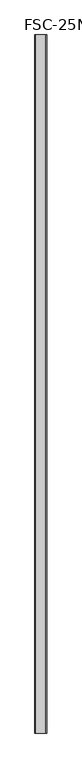
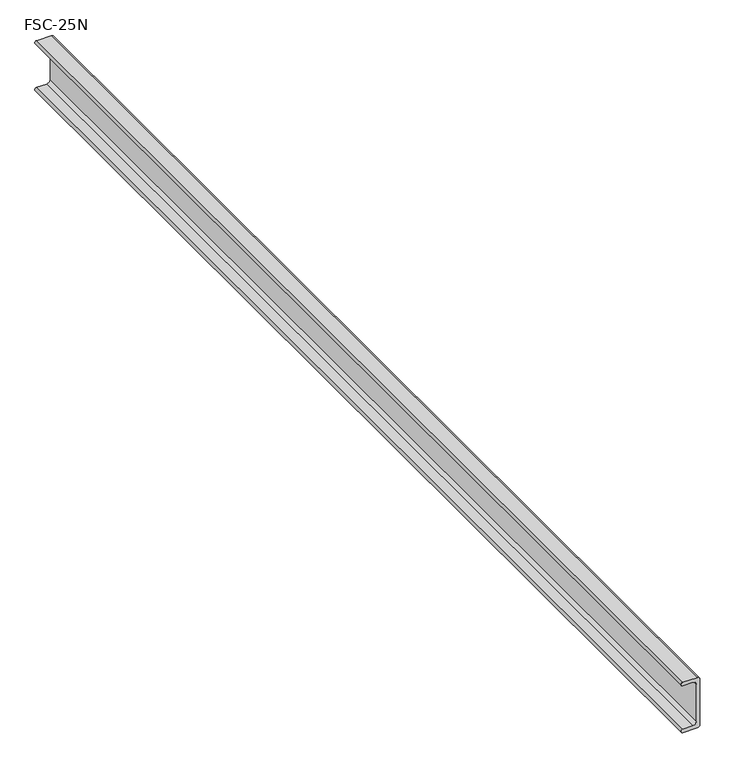
"""IFC4 building model written with IfcOpenShell, lengths in millimetres: proxy geometry, FSC-25N."""

from ifc_helpers import new_model, si_unit, frame, origin, place, context, project, spatial, polyline, circle_curve, source, transform, mapped, element, save
from ifc_brep_helpers import plane_surface, cylinder_surface, revolved_surface, advanced_brep


def fsc_25n_75178251(model_context):
    return source(origin(), model_context, "Body", "AdvancedBrep", [
        advanced_brep(
        [(-26.7456954, 1879.6, -5.8453642), (-26.8763074, 1879.6, 3.447053), (12.9523179, 1879.6, 3.4903974), (19.3426212, 1879.6, -2.9868379), (19.3864238, 1879.6, -133.560265), (13.0574508, 1879.6, -139.7), (-26.8718543, 1879.6, -139.7), (-26.7667222, 1879.6, -130.4062911), (0.0, 1879.6, -130.4062911), (9.8614238, 1879.6, -120.5448673), (9.8614238, 1879.6, -15.7698675), (-0.0630795, 1879.6, -5.8453642), (-26.7456954, -1141.4125, -5.8453642), (-0.0630795, -1141.4125, -5.8453642), (9.8614238, -1141.4125, -15.7698675), (9.8614238, -1141.4125, -120.5448673), (0.0, -1141.4125, -130.4062911), (-26.7667222, -1141.4125, -130.4062911), (-26.8718543, -1141.4125, -139.7), (13.0574508, -1141.4125, -139.7), (19.3426223, -1141.4125, -133.5613424), (19.3864238, -1141.4125, -2.9437086), (12.9091875, -1141.4125, 3.4465958), (-26.8718543, -1141.4125, 3.4903974)],
        [
            (0, 1, circle_curve(frame((-26.7562083, 1879.6, -1.1983855), z_axis=(0.0, 1.0, 0.0), x_axis=(1.0, 0.0, 0.0)), 4.6469907)),
            (1, 2),
            (2, 3, circle_curve(frame((13.0574508, 1879.6, -2.8385746), z_axis=(0.0, 1.0, 0.0), x_axis=(1.0, 0.0, 0.0)), 6.2869189)),
            (3, 4),
            (4, 5, circle_curve(frame((13.0574508, 1879.6, -133.41308), z_axis=(0.0, 1.0, 0.0), x_axis=(1.0, 0.0, 0.0)), 6.28692)),
            (5, 6),
            (6, 7, circle_curve(frame((-26.7644875, 1879.6, -135.0537655), z_axis=(0.0, 1.0, 0.0), x_axis=(1.0, 0.0, 0.0)), 4.6474749)),
            (7, 8),
            (8, 9, circle_curve(frame((0.0, 1879.6, -120.5448673), z_axis=(0.0, -1.0, 0.0), x_axis=(1.0, 0.0, 0.0)), 9.8614238)),
            (9, 10),
            (10, 11, circle_curve(frame((-0.0630795, 1879.6, -15.7698675), z_axis=(0.0, -1.0, 0.0), x_axis=(1.0, 0.0, 0.0)), 9.9245033)),
            (11, 0),
            (12, 13),
            (13, 14, circle_curve(frame((-0.0630795, -1141.4125, -15.7698675), z_axis=(0.0, 1.0, 0.0), x_axis=(1.0, 0.0, 0.0)), 9.9245033)),
            (14, 15),
            (15, 16, circle_curve(frame((0.0, -1141.4125, -120.5448673), z_axis=(0.0, 1.0, 0.0), x_axis=(1.0, 0.0, 0.0)), 9.8614238)),
            (16, 17),
            (17, 18, circle_curve(frame((-26.7644875, -1141.4125, -135.0537655), z_axis=(0.0, -1.0, 0.0), x_axis=(1.0, 0.0, 0.0)), 4.6474749)),
            (18, 19),
            (19, 20, circle_curve(frame((13.0574508, -1141.4125, -133.41308), z_axis=(0.0, -1.0, 0.0), x_axis=(1.0, 0.0, 0.0)), 6.28692)),
            (20, 21),
            (21, 22, circle_curve(frame((13.0574508, -1141.4125, -2.8385746), z_axis=(0.0, -1.0, 0.0), x_axis=(1.0, 0.0, 0.0)), 6.2869189)),
            (22, 23),
            (23, 12, circle_curve(frame((-26.7562083, -1141.4125, -1.1983855), z_axis=(0.0, -1.0, 0.0), x_axis=(1.0, 0.0, 0.0)), 4.6469907)),
            (1, 23),
            (22, 2),
            (21, 3),
            (20, 4),
            (19, 5),
            (7, 17),
            (16, 8),
            (0, 12),
            (9, 15),
            (14, 10),
            (18, 6),
            (13, 11),
        ],
        [
            plane_surface(frame((0.0, 1879.6, 0.0), z_axis=(0.0, 1.0, 0.0), x_axis=(0.0, 0.0, 1.0))),
            plane_surface(frame((0.0, -1141.4125, 0.0), z_axis=(0.0, -1.0, 0.0), x_axis=(0.0, 0.0, 1.0))),
            plane_surface(frame((-26.8718543, 1879.6, 3.4903974), z_axis=(0.0, 0.0, 1.0), x_axis=(0.0, -1.0, 0.0))),
            cylinder_surface(frame((13.0574508, 1879.6, -2.8385746), z_axis=(0.0, 1.0, 0.0), x_axis=(1.0, 0.0, 0.0)), 6.2869189),
            plane_surface(frame((19.3864238, 1879.6, -2.9437086), z_axis=(1.0, 0.0, 0.0), x_axis=(0.0, -1.0, 0.0))),
            cylinder_surface(frame((13.0574508, 1879.6, -133.41308), z_axis=(0.0, 1.0, 0.0), x_axis=(1.0, 0.0, 0.0)), 6.28692),
            plane_surface(frame((-26.7667222, 1879.6, -130.4062911), z_axis=(0.0, 0.0, 1.0), x_axis=(0.0, -1.0, 0.0))),
            cylinder_surface(frame((-26.7562083, 1879.6, -1.1983855), z_axis=(0.0, 1.0, 0.0), x_axis=(1.0, 0.0, 0.0)), 4.6469907),
            plane_surface(frame((9.8614238, 1879.6, -120.5448673), z_axis=(-1.0, 0.0, 0.0), x_axis=(0.0, -1.0, 0.0))),
            plane_surface(frame((13.0574508, 1879.6, -139.7), z_axis=(0.0, 0.0, -1.0), x_axis=(0.0, -1.0, 0.0))),
            cylinder_surface(frame((-26.7644875, 1879.6, -135.0537655), z_axis=(0.0, 1.0, 0.0), x_axis=(1.0, 0.0, 0.0)), 4.6474749),
            revolved_surface(polyline([(9.8614238, -1141.4125, -120.5448673), (9.8614238, 1879.6, -120.5448673)]), (0.0, 1879.6, -120.5448673), (0.0, -1.0, 0.0)),
            revolved_surface(polyline([(9.861423799999999, -1141.4125, -15.7698675), (9.861423799999999, 1879.6, -15.7698675)]), (-0.0630795, 1879.6, -15.7698675), (0.0, -1.0, 0.0)),
            plane_surface(frame((-0.0630795, 1879.6, -5.8453642), z_axis=(0.0, 0.0, -1.0), x_axis=(0.0, -1.0, 0.0))),
        ],
        [
            (0, [[1, 2, 3, 4, 5, 6, 7, 8, 9, 10, 11, 12]]),
            (1, [[13, 14, 15, 16, 17, 18, 19, 20, 21, 22, 23, 24]]),
            (2, [[-2, 25, -23, 26]]),
            (3, [[-3, -26, -22, 27]]),
            (4, [[-4, -27, -21, 28]]),
            (5, [[-5, -28, -20, 29]]),
            (6, [[-8, 30, -17, 31]]),
            (7, [[-1, 32, -24, -25]]),
            (8, [[-10, 33, -15, 34]]),
            (9, [[-6, -29, -19, 35]]),
            (10, [[-7, -35, -18, -30]]),
            (11, [[-9, -31, -16, -33]]),
            (12, [[-11, -34, -14, 36]]),
            (13, [[-12, -36, -13, -32]]),
        ],
    ),
    ])


if __name__ == "__main__":
    model = new_model("IFC4")
    model_context = context("Model", 3, world=origin())
    ifc_project = project(units=[si_unit("LENGTHUNIT", "METRE", prefix="MILLI")], contexts=[model_context])
    site = spatial("IfcSite", under=ifc_project)
    building = spatial("IfcBuilding", under=site)
    placement = place(None, origin())
    fsc_25n_shape = fsc_25n_75178251(model_context)
    element("IfcBuildingElementProxy", 1, Name="FSC-25N", ObjectType="FSC-25N", at=placement, inside=building, context=model_context, shape_type="MappedRepresentation", body=[
        mapped(fsc_25n_shape, transform((0.0, 0.0, 0.0), x_axis=(1.0, 0.0, 0.0), y_axis=(0.0, 1.0, 0.0), z_axis=(0.0, 0.0, 1.0))),
    ])
    save(model, "model.ifc")
